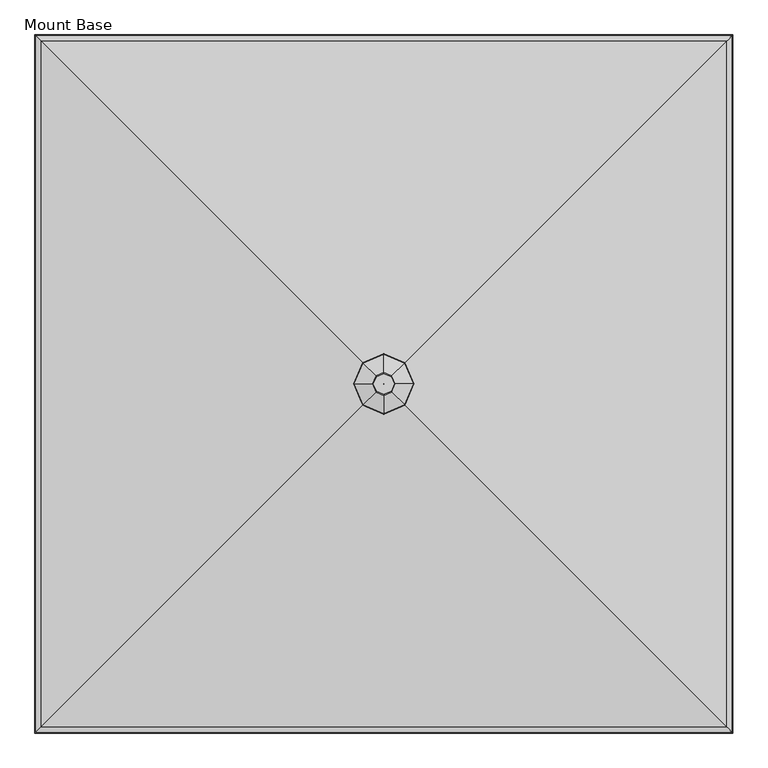
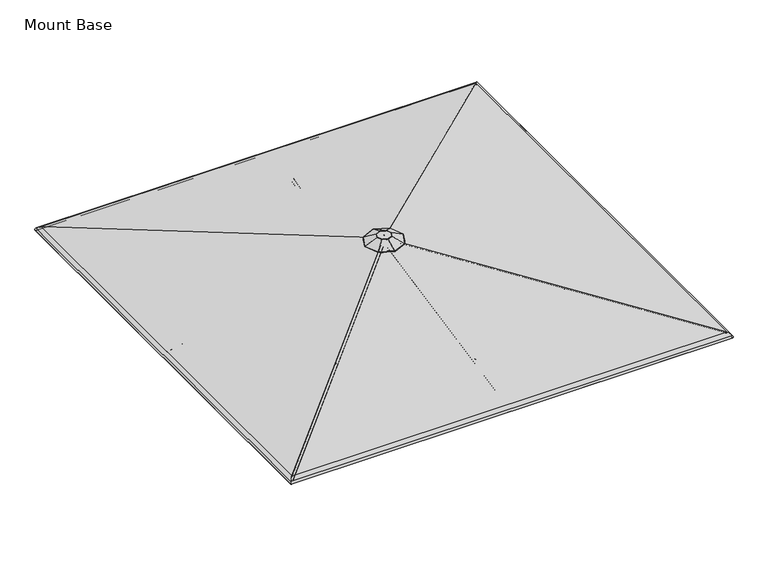
"""IFC4 building model written with IfcOpenShell, lengths in millimetres: furniture geometry, Mount Base."""

from ifc_helpers import new_model, si_unit, point, frame, frame_2d, origin, place, context, project, spatial, polyline, circle_curve, ellipse_curve, trimmed, segment, composite_curve, outline, extrude, source, transform, mapped, element, save
from ifc_brep_helpers import plane_surface, cylinder_surface, revolved_surface, advanced_brep


def mount_base_3bbdd028(model_context):
    return source(origin(), model_context, "Body", "SolidModel", [
        extrude(outline(composite_curve([segment(polyline([(12.9834408, -8.4804821), (12.9834408, -22.8946348)]), True, "CONTINUOUS"), segment(trimmed(circle_curve(frame_2d((4.0299408, -22.8946348)), 8.9535), [point((12.9834408, -22.8946348))], [point((-4.9235592, -22.8946348))], False, "CARTESIAN"), True, "CONTINUOUS"), segment(polyline([(-4.9235592, -22.8946348), (-4.9235592, -8.4804821)]), True, "CONTINUOUS"), segment(trimmed(circle_curve(frame_2d((4.0299408, -8.4804821)), 8.9535), [point((-4.9235592, -8.4804821))], [point((12.9834408, -8.4804821))], False, "CARTESIAN"), True, "CONTINUOUS")], self_intersect=False)), frame((4.0299408, -60.6243606, 2209.0717014), z_axis=(0.0, -0.968204069710927, 0.25016170649241765), x_axis=(-1.0, 0.0, 0.0)), (0.0, 0.0, 1.0), 1257.3),
        extrude(outline(composite_curve([segment(polyline([(12.9834408, -8.4804821), (12.9834408, -22.8946348)]), True, "CONTINUOUS"), segment(trimmed(circle_curve(frame_2d((4.0299408, -22.8946348)), 8.9535), [point((12.9834408, -22.8946348))], [point((-4.9235592, -22.8946348))], False, "CARTESIAN"), True, "CONTINUOUS"), segment(polyline([(-4.9235592, -22.8946348), (-4.9235592, -8.4804821)]), True, "CONTINUOUS"), segment(trimmed(circle_curve(frame_2d((4.0299408, -8.4804821)), 8.9535), [point((-4.9235592, -8.4804821))], [point((12.9834408, -8.4804821))], False, "CARTESIAN"), True, "CONTINUOUS")], self_intersect=False)), frame((-56.5944198, -8.0598816, 2209.0717014), z_axis=(-0.968204069710927, 0.0, 0.25016170649241765), x_axis=(0.0, 1.0, 0.0)), (0.0, 0.0, 1.0), 1257.3),
        extrude(outline(composite_curve([segment(polyline([(12.9834408, -8.4804821), (12.9834408, -22.8946348)]), True, "CONTINUOUS"), segment(trimmed(circle_curve(frame_2d((4.0299408, -22.8946348)), 8.9535), [point((12.9834408, -22.8946348))], [point((-4.9235592, -22.8946348))], False, "CARTESIAN"), True, "CONTINUOUS"), segment(polyline([(-4.9235592, -22.8946348), (-4.9235592, -8.4804821)]), True, "CONTINUOUS"), segment(trimmed(circle_curve(frame_2d((4.0299408, -8.4804821)), 8.9535), [point((-4.9235592, -8.4804821))], [point((12.9834408, -8.4804821))], False, "CARTESIAN"), True, "CONTINUOUS")], self_intersect=False)), frame((-4.0299408, 52.564479, 2209.0717014), z_axis=(0.0, 0.968204069710927, 0.25016170649241765), x_axis=(1.0, 0.0, 0.0)), (0.0, 0.0, 1.0), 1257.3),
        extrude(outline(composite_curve([segment(trimmed(circle_curve(frame_2d((4.0299408, 7.3267917)), 8.9535), [point((12.9834408, 7.3267917))], [point((-4.9235592, 7.3267917))], False, "CARTESIAN"), True, "CONTINUOUS"), segment(polyline([(-4.9235592, 7.3267917), (-4.9235592, 21.7411303)]), True, "CONTINUOUS"), segment(trimmed(circle_curve(frame_2d((4.0299408, 21.7411303)), 8.9535), [point((-4.9235592, 21.7411303))], [point((12.9834408, 21.7411303))], False, "CARTESIAN"), True, "CONTINUOUS"), segment(polyline([(12.9834408, 21.7411303), (12.9834408, 7.3267917)]), True, "CONTINUOUS")], self_intersect=False)), frame((4.0299408, -1742.7095287, 2428.4090401), z_axis=(0.0, 0.9801650338144994, 0.19818301261062068), x_axis=(-1.0, 0.0, 0.0)), (0.0, 0.0, 1.0), 1722.8259277),
        extrude(outline(composite_curve([segment(trimmed(circle_curve(frame_2d((4.0299408, 7.3267917)), 8.9535), [point((12.9834408, 7.3267917))], [point((-4.9235592, 7.3267917))], False, "CARTESIAN"), True, "CONTINUOUS"), segment(polyline([(-4.9235592, 7.3267917), (-4.9235592, 21.7411303)]), True, "CONTINUOUS"), segment(trimmed(circle_curve(frame_2d((4.0299408, 21.7411303)), 8.9535), [point((-4.9235592, 21.7411303))], [point((12.9834408, 21.7411303))], False, "CARTESIAN"), True, "CONTINUOUS"), segment(polyline([(12.9834408, 21.7411303), (12.9834408, 7.3267917)]), True, "CONTINUOUS")], self_intersect=False)), frame((-1738.6795879, -8.0598816, 2428.4090401), z_axis=(0.9801650338144994, 0.0, 0.19818301261062068), x_axis=(0.0, 1.0, 0.0)), (0.0, 0.0, 1.0), 1722.8259277),
        extrude(outline(composite_curve([segment(trimmed(circle_curve(frame_2d((4.0299408, 7.3267917)), 8.9535), [point((12.9834408, 7.3267917))], [point((-4.9235592, 7.3267917))], False, "CARTESIAN"), True, "CONTINUOUS"), segment(polyline([(-4.9235592, 7.3267917), (-4.9235592, 21.7411303)]), True, "CONTINUOUS"), segment(trimmed(circle_curve(frame_2d((4.0299408, 21.7411303)), 8.9535), [point((-4.9235592, 21.7411303))], [point((12.9834408, 21.7411303))], False, "CARTESIAN"), True, "CONTINUOUS"), segment(polyline([(12.9834408, 21.7411303), (12.9834408, 7.3267917)]), True, "CONTINUOUS")], self_intersect=False)), frame((-4.0299408, 1734.6496471, 2428.4090401), z_axis=(0.0, -0.9801650338144994, 0.19818301261062068), x_axis=(1.0, 0.0, 0.0)), (0.0, 0.0, 1.0), 1722.8259277),
        extrude(outline(composite_curve([segment(trimmed(circle_curve(frame_2d((4.0299408, 7.3267917)), 8.9535), [point((12.9834408, 7.3267917))], [point((-4.9235592, 7.3267917))], False, "CARTESIAN"), True, "CONTINUOUS"), segment(polyline([(-4.9235592, 7.3267917), (-4.9235592, 21.7411303)]), True, "CONTINUOUS"), segment(trimmed(circle_curve(frame_2d((4.0299408, 21.7411303)), 8.9535), [point((-4.9235592, 21.7411303))], [point((12.9834408, 21.7411303))], False, "CARTESIAN"), True, "CONTINUOUS"), segment(polyline([(12.9834408, 21.7411303), (12.9834408, 7.3267917)]), True, "CONTINUOUS")], self_intersect=False)), frame((1738.6795879, 0.0, 2428.4090401), z_axis=(-0.9801650338144994, 0.0, 0.19818301261062068), x_axis=(0.0, -1.0, 0.0)), (0.0, 0.0, 1.0), 1722.8259277),
        extrude(outline(composite_curve([segment(polyline([(12.9834408, -8.4804821), (12.9834408, -22.8946348)]), True, "CONTINUOUS"), segment(trimmed(circle_curve(frame_2d((4.0299408, -22.8946348)), 8.9535), [point((12.9834408, -22.8946348))], [point((-4.9235592, -22.8946348))], False, "CARTESIAN"), True, "CONTINUOUS"), segment(polyline([(-4.9235592, -22.8946348), (-4.9235592, -8.4804821)]), True, "CONTINUOUS"), segment(trimmed(circle_curve(frame_2d((4.0299408, -8.4804821)), 8.9535), [point((-4.9235592, -8.4804821))], [point((12.9834408, -8.4804821))], False, "CARTESIAN"), True, "CONTINUOUS")], self_intersect=False)), frame((56.5944198, 0.0, 2209.0717014), z_axis=(0.968204069710927, 0.0, 0.25016170649241765), x_axis=(0.0, -1.0, 0.0)), (0.0, 0.0, 1.0), 1257.3),
        extrude(outline(composite_curve([segment(trimmed(circle_curve(frame_2d((-0.4115858, 9.2017125)), 8.947892), [point((8.536306, 9.1998745))], [point((-9.3594776, 9.2035503))], False, "CARTESIAN"), True, "CONTINUOUS"), segment(polyline([(-9.3594776, 9.2035503), (-9.3566134, 23.146125)]), True, "CONTINUOUS"), segment(trimmed(circle_curve(frame_2d((-0.4087216, 23.146125)), 8.9478918), [point((-9.3566134, 23.146125))], [point((8.5391702, 23.1457573))], False, "CARTESIAN"), True, "CONTINUOUS"), segment(polyline([(8.5391702, 23.1457573), (8.536306, 9.1998745)]), True, "CONTINUOUS")], self_intersect=False)), frame((41.5244845, -45.5691916, 2208.4981899), z_axis=(0.6763612459995549, -0.6766017644142349, 0.2911108333632977), x_axis=(0.7072324735233075, 0.7069810665032722, 0.0)), (0.0, 0.0, 1.0), 1309.7575992),
        extrude(outline(composite_curve([segment(trimmed(circle_curve(frame_2d((-0.4115858, 9.2017125)), 8.947892), [point((8.536306, 9.1998747))], [point((-9.3594776, 9.2035505))], False, "CARTESIAN"), True, "CONTINUOUS"), segment(polyline([(-9.3594776, 9.2035505), (-9.356613, 23.146125)]), True, "CONTINUOUS"), segment(trimmed(circle_curve(frame_2d((-0.4087215, 23.146125)), 8.9478915), [point((-9.356613, 23.146125))], [point((8.5391699, 23.1457574))], False, "CARTESIAN"), True, "CONTINUOUS"), segment(polyline([(8.5391699, 23.1457574), (8.536306, 9.1998747)]), True, "CONTINUOUS")], self_intersect=False)), frame((-41.5392509, -45.5544253, 2208.4981899), z_axis=(-0.676601764414243, -0.6763612459995471, 0.2911108333632977), x_axis=(0.7069810665032639, -0.7072324735233159, 0.0)), (0.0, 0.0, 1.0), 1309.7575992),
        extrude(outline(composite_curve([segment(trimmed(circle_curve(frame_2d((-0.4115857, 9.2017125)), 8.947892), [point((8.536306, 9.1998747))], [point((-9.3594776, 9.2035505))], False, "CARTESIAN"), True, "CONTINUOUS"), segment(polyline([(-9.3594776, 9.2035505), (-9.356613, 23.146125)]), True, "CONTINUOUS"), segment(trimmed(circle_curve(frame_2d((-0.4087216, 23.146125)), 8.9478915), [point((-9.356613, 23.146125))], [point((8.5391699, 23.1457573))], False, "CARTESIAN"), True, "CONTINUOUS"), segment(polyline([(8.5391699, 23.1457573), (8.536306, 9.1998747)]), True, "CONTINUOUS")], self_intersect=False)), frame((-41.5244845, 37.5093101, 2208.4981899), z_axis=(-0.6763612459995527, 0.6766017644142374, 0.29111083336329774), x_axis=(-0.70723247352331, -0.7069810665032698, 0.0)), (0.0, 0.0, 1.0), 1309.7575992),
        extrude(outline(composite_curve([segment(trimmed(circle_curve(frame_2d((-0.4115857, 9.2017125)), 8.947892), [point((8.536306, 9.1998747))], [point((-9.3594776, 9.2035505))], False, "CARTESIAN"), True, "CONTINUOUS"), segment(polyline([(-9.3594776, 9.2035505), (-9.356613, 23.146125)]), True, "CONTINUOUS"), segment(trimmed(circle_curve(frame_2d((-0.4087215, 23.146125)), 8.9478915), [point((-9.356613, 23.146125))], [point((8.5391699, 23.1457573))], False, "CARTESIAN"), True, "CONTINUOUS"), segment(polyline([(8.5391699, 23.1457573), (8.536306, 9.1998747)]), True, "CONTINUOUS")], self_intersect=False)), frame((41.5392509, 37.4945437, 2208.4981899), z_axis=(0.6766017644142318, 0.676361245999558, 0.2911108333632976), x_axis=(-0.7069810665032754, 0.7072324735233043, 0.0)), (0.0, 0.0, 1.0), 1309.7575992),
        extrude(outline(composite_curve([segment(trimmed(circle_curve(frame_2d((0.0454336, -8.9661607)), 8.9535016), [point((-8.9080678, -8.9644052))], [point((8.9989351, -8.9679162))], False, "CARTESIAN"), True, "CONTINUOUS"), segment(polyline([(8.9989351, -8.9679162), (8.9961217, -23.3170803)]), True, "CONTINUOUS"), segment(trimmed(circle_curve(frame_2d((0.0426202, -23.3153248)), 8.9535016), [point((8.9961217, -23.3170803))], [point((-8.9108812, -23.3135694))], False, "CARTESIAN"), True, "CONTINUOUS"), segment(polyline([(-8.9108812, -23.3135694), (-8.9080678, -8.9644052)]), True, "CONTINUOUS")], self_intersect=False)), frame((1743.1904793, -1747.603189, 2425.0035693), z_axis=(-0.700059246017185, 0.7000592460172453, 0.14083360441178988), x_axis=(0.707106781186578, 0.7071067811865172, 0.0)), (0.0, 0.0, 1.0), 2439.7329293),
        extrude(outline(composite_curve([segment(trimmed(circle_curve(frame_2d((0.0454336, -8.9661607)), 8.9535016), [point((-8.9080678, -8.9644052))], [point((8.9989351, -8.9679162))], False, "CARTESIAN"), True, "CONTINUOUS"), segment(polyline([(8.9989351, -8.9679162), (8.9961217, -23.3170803)]), True, "CONTINUOUS"), segment(trimmed(circle_curve(frame_2d((0.0426202, -23.3153248)), 8.9535016), [point((8.9961217, -23.3170803))], [point((-8.9108812, -23.3135694))], False, "CARTESIAN"), True, "CONTINUOUS"), segment(polyline([(-8.9108812, -23.3135694), (-8.9080678, -8.9644052)]), True, "CONTINUOUS")], self_intersect=False)), frame((-1743.5732482, -1747.2204201, 2425.0035693), z_axis=(0.7000592460172536, 0.700059246017177, 0.1408336044117898), x_axis=(0.7071067811865089, -0.7071067811865863, 0.0)), (0.0, 0.0, 1.0), 2439.7329293),
        extrude(outline(composite_curve([segment(trimmed(circle_curve(frame_2d((0.0454336, -8.9661607)), 8.9535016), [point((-8.9080679, -8.9644052))], [point((8.9989351, -8.9679162))], False, "CARTESIAN"), True, "CONTINUOUS"), segment(polyline([(8.9989351, -8.9679162), (8.9961217, -23.3170803)]), True, "CONTINUOUS"), segment(trimmed(circle_curve(frame_2d((0.0426202, -23.3153248)), 8.9535016), [point((8.9961217, -23.3170803))], [point((-8.9108812, -23.3135694))], False, "CARTESIAN"), True, "CONTINUOUS"), segment(polyline([(-8.9108812, -23.3135694), (-8.9080679, -8.9644052)]), True, "CONTINUOUS")], self_intersect=False)), frame((-1743.1904793, 1739.5433074, 2425.0035693), z_axis=(0.7000592460171826, -0.7000592460172478, 0.1408336044117898), x_axis=(-0.7071067811865804, -0.7071067811865146, 0.0)), (0.0, 0.0, 1.0), 2439.7329293),
        extrude(outline(composite_curve([segment(trimmed(circle_curve(frame_2d((0.0454336, -8.9661607)), 8.9535016), [point((-8.9080678, -8.9644052))], [point((8.9989351, -8.9679162))], False, "CARTESIAN"), True, "CONTINUOUS"), segment(polyline([(8.9989351, -8.9679162), (8.9961217, -23.3170803)]), True, "CONTINUOUS"), segment(trimmed(circle_curve(frame_2d((0.0426202, -23.3153248)), 8.9535016), [point((8.9961217, -23.3170803))], [point((-8.9108812, -23.3135694))], False, "CARTESIAN"), True, "CONTINUOUS"), segment(polyline([(-8.9108812, -23.3135694), (-8.9080678, -8.9644052)]), True, "CONTINUOUS")], self_intersect=False)), frame((1743.5732482, 1739.1605385, 2425.0035693), z_axis=(-0.7000592460172421, -0.7000592460171882, 0.14083360441178977), x_axis=(-0.7071067811865203, 0.7071067811865748, 0.0)), (0.0, 0.0, 1.0), 2439.7329293),
        advanced_brep(
        [(-40.359119, -4.0299408, 2769.6161201), (40.359119, -4.0299408, 2769.6161201), (40.359119, -4.0299408, 2232.7130663), (-40.359119, -4.0299408, 2232.7130663), (0.0, -4.0299408, 2769.6161201), (0.0, -4.0299408, 2232.7130663)],
        [
            (0, 1, circle_curve(frame((0.0, -4.0299408, 2769.6161201), z_axis=(0.0, 0.0, -1.0), x_axis=(1.0, 0.0, 0.0)), 40.359119)),
            (1, 2),
            (2, 3, circle_curve(frame((0.0, -4.0299408, 2232.7130663), z_axis=(0.0, 0.0, 1.0), x_axis=(1.0, 0.0, 0.0)), 40.359119)),
            (3, 0),
            (1, 0, circle_curve(frame((0.0, -4.0299408, 2769.6161201), z_axis=(0.0, 0.0, -1.0), x_axis=(1.0, 0.0, 0.0)), 40.359119)),
            (3, 2, circle_curve(frame((0.0, -4.0299408, 2232.7130663), z_axis=(0.0, 0.0, 1.0), x_axis=(1.0, 0.0, 0.0)), 40.359119)),
            (4, 1),
            (0, 4),
            (2, 5),
            (5, 3),
        ],
        [
            cylinder_surface(frame((0.0, -4.0299408, 2607.6909748), z_axis=(0.0, 0.0, 1.0), x_axis=(1.0, 0.0, 0.0)), 40.359119),
            plane_surface(frame((0.0, -4.0299408, 2769.6161201), z_axis=(0.0, 0.0, 1.0), x_axis=(1.0, 0.0, 0.0))),
            plane_surface(frame((0.0, -4.0299408, 2232.7130663), z_axis=(0.0, 0.0, -1.0), x_axis=(1.0, 0.0, 0.0))),
        ],
        [
            (0, [[1, 2, 3, 4]]),
            (0, [[5, -4, 6, -2]]),
            (1, [[7, -1, 8]]),
            (1, [[-8, -5, -7]]),
            (2, [[-3, 9, 10]]),
            (2, [[-6, -10, -9]]),
        ],
    ),
        advanced_brep(
        [(-58.7349315, -4.0299408, 2208.4981899), (58.7349315, -4.0299408, 2208.4981899), (51.3054317, -4.0299408, 2190.75), (-51.3054317, -4.0299408, 2190.75), (-58.7349315, -4.0299408, 2233.8982384), (58.7349315, -4.0299408, 2233.8982384), (0.0, -4.0299408, 2233.8982384), (-50.392282, -4.0299408, 2063.7500484), (50.392282, -4.0299408, 2063.7500484), (0.0, -4.0299408, 2063.7500484), (-58.2510683, -4.0299408, 2070.0999516), (58.2510683, -4.0299408, 2070.0999516), (-44.8554107, -4.0299408, 2190.75), (44.8554107, -4.0299408, 2190.75)],
        [
            (0, 1, circle_curve(frame((0.0, -4.0299408, 2208.4981899), z_axis=(0.0, 0.0, -1.0), x_axis=(1.0, 0.0, 0.0)), 58.7349315)),
            (1, 2, circle_curve(frame((43.6558497, -4.0299408, 2204.3812731), z_axis=(0.0, 1.0, 0.0), x_axis=(1.0, 0.0, 0.0)), 15.6309856)),
            (2, 3, circle_curve(frame((0.0, -4.0299408, 2190.75), z_axis=(0.0, 0.0, 1.0), x_axis=(1.0, 0.0, 0.0)), 51.3054317)),
            (3, 0, circle_curve(frame((-43.6558497, -4.0299408, 2204.3812731), z_axis=(0.0, 1.0, 0.0), x_axis=(-1.0, 0.0, 0.0)), 15.6309856)),
            (1, 0, circle_curve(frame((0.0, -4.0299408, 2208.4981899), z_axis=(0.0, 0.0, -1.0), x_axis=(1.0, 0.0, 0.0)), 58.7349315)),
            (3, 2, circle_curve(frame((0.0, -4.0299408, 2190.75), z_axis=(0.0, 0.0, 1.0), x_axis=(1.0, 0.0, 0.0)), 51.3054317)),
            (4, 5, circle_curve(frame((0.0, -4.0299408, 2233.8982384), z_axis=(0.0, 0.0, -1.0), x_axis=(1.0, 0.0, 0.0)), 58.7349315)),
            (5, 1, circle_curve(frame((52.8666055, -4.0299408, 2221.1982141), z_axis=(0.0, 1.0, 0.0), x_axis=(1.0, 0.0, 0.0)), 13.9902775)),
            (0, 4, circle_curve(frame((-52.8666055, -4.0299408, 2221.1982141), z_axis=(0.0, 1.0, 0.0), x_axis=(-1.0, 0.0, 0.0)), 13.9902775)),
            (5, 4, circle_curve(frame((0.0, -4.0299408, 2233.8982384), z_axis=(0.0, 0.0, -1.0), x_axis=(1.0, 0.0, 0.0)), 58.7349315)),
            (6, 5),
            (4, 6),
            (7, 8, circle_curve(frame((0.0, -4.0299408, 2063.7500484), z_axis=(0.0, 0.0, -1.0), x_axis=(1.0, 0.0, 0.0)), 50.392282)),
            (8, 9),
            (9, 7),
            (8, 7, circle_curve(frame((0.0, -4.0299408, 2063.7500484), z_axis=(0.0, 0.0, -1.0), x_axis=(1.0, 0.0, 0.0)), 50.392282)),
            (10, 11, circle_curve(frame((0.0, -4.0299408, 2070.0999516), z_axis=(0.0, 0.0, -1.0), x_axis=(1.0, 0.0, 0.0)), 58.2510683)),
            (11, 8),
            (7, 10),
            (11, 10, circle_curve(frame((0.0, -4.0299408, 2070.0999516), z_axis=(0.0, 0.0, -1.0), x_axis=(1.0, 0.0, 0.0)), 58.2510683)),
            (12, 13, circle_curve(frame((0.0, -4.0299408, 2190.75), z_axis=(0.0, 0.0, -1.0), x_axis=(1.0, 0.0, 0.0)), 44.8554107)),
            (13, 11),
            (10, 12),
            (13, 12, circle_curve(frame((0.0, -4.0299408, 2190.75), z_axis=(0.0, 0.0, -1.0), x_axis=(1.0, 0.0, 0.0)), 44.8554107)),
            (2, 13),
            (12, 3),
        ],
        [
            revolved_surface(trimmed(ellipse_curve(frame((43.6558497, -4.0299408, 2204.3812731), z_axis=(0.0, -1.0, 0.0), x_axis=(1.0, 0.0, 0.0)), 15.6309856, 15.6309856), [point((51.3054317, -4.0299408, 2190.75))], [point((58.7349315, -4.0299408, 2208.4981899))], True, "CARTESIAN"), (0.0, -4.0299408, 2404.1943844), (0.0, 0.0, 1.0)),
            revolved_surface(trimmed(ellipse_curve(frame((52.8666055, -4.0299408, 2221.1982141), z_axis=(0.0, -1.0, 0.0), x_axis=(1.0, 0.0, 0.0)), 13.9902775, 13.9902775), [point((58.7349315, -4.0299408, 2208.4981899))], [point((58.7349315, -4.0299408, 2233.8982384))], True, "CARTESIAN"), (0.0, -4.0299408, 2404.1943844), (0.0, 0.0, 1.0)),
            plane_surface(frame((0.0, -4.0299408, 2233.8982384), z_axis=(0.0, 0.0, 1.0), x_axis=(1.0, 0.0, 0.0))),
            plane_surface(frame((0.0, -4.0299408, 2063.7500484), z_axis=(0.0, 0.0, -1.0), x_axis=(1.0, 0.0, 0.0))),
            revolved_surface(polyline([(50.392282, -4.0299408, 2063.7500484), (58.2510683, -4.0299408, 2070.0999516)]), (0.0, -4.0299408, 2404.1943844), (0.0, 0.0, 1.0)),
            revolved_surface(polyline([(58.2510683, -4.0299408, 2070.0999516), (44.8554107, -4.0299408, 2190.75)]), (0.0, -4.0299408, 2404.1943844), (0.0, 0.0, 1.0)),
            plane_surface(frame((0.0, -4.0299408, 2190.75), z_axis=(0.0, 0.0, -1.0), x_axis=(1.0, 0.0, 0.0))),
        ],
        [
            (0, [[1, 2, 3, 4]]),
            (0, [[5, -4, 6, -2]]),
            (1, [[7, 8, -1, 9]]),
            (1, [[10, -9, -5, -8]]),
            (2, [[11, -7, 12]]),
            (2, [[-12, -10, -11]]),
            (3, [[13, 14, 15]]),
            (3, [[16, -15, -14]]),
            (4, [[17, 18, -13, 19]]),
            (4, [[20, -19, -16, -18]]),
            (5, [[21, 22, -17, 23]]),
            (5, [[24, -23, -20, -22]]),
            (6, [[-3, 25, -21, 26]]),
            (6, [[-6, -26, -24, -25]]),
        ],
    ),
        advanced_brep(
        [(-85.0763354, -4.0299408, 2768.6), (85.0763354, -4.0299408, 2768.6), (0.0, -4.0299408, 2768.6), (-85.0763354, -4.0299408, 2794.0), (85.0763354, -4.0299408, 2794.0), (0.0, -4.0299408, 2794.0)],
        [
            (0, 1, circle_curve(frame((0.0, -4.0299408, 2768.6), z_axis=(0.0, 0.0, -1.0), x_axis=(1.0, 0.0, 0.0)), 85.0763354)),
            (1, 2),
            (2, 0),
            (1, 0, circle_curve(frame((0.0, -4.0299408, 2768.6), z_axis=(0.0, 0.0, -1.0), x_axis=(1.0, 0.0, 0.0)), 85.0763354)),
            (3, 4, circle_curve(frame((0.0, -4.0299408, 2794.0), z_axis=(0.0, 0.0, -1.0), x_axis=(1.0, 0.0, 0.0)), 85.0763354)),
            (4, 1, circle_curve(frame((85.0763354, -4.0299408, 2781.3), z_axis=(0.0, 1.0, 0.0), x_axis=(1.0, 0.0, 0.0)), 12.7)),
            (0, 3, circle_curve(frame((-85.0763354, -4.0299408, 2781.3), z_axis=(0.0, 1.0, 0.0), x_axis=(-1.0, 0.0, 0.0)), 12.7)),
            (4, 3, circle_curve(frame((0.0, -4.0299408, 2794.0), z_axis=(0.0, 0.0, -1.0), x_axis=(1.0, 0.0, 0.0)), 85.0763354)),
            (5, 4),
            (3, 5),
        ],
        [
            plane_surface(frame((0.0, -4.0299408, 2768.6), z_axis=(0.0, 0.0, -1.0), x_axis=(1.0, 0.0, 0.0))),
            revolved_surface(trimmed(ellipse_curve(frame((85.0763354, -4.0299408, 2781.3), z_axis=(0.0, -1.0, 0.0), x_axis=(1.0, 0.0, 0.0)), 12.7, 12.7), [point((85.0763354, -4.0299408, 2768.6))], [point((85.0763354, -4.0299408, 2794.0))], True, "CARTESIAN"), (0.0, -4.0299408, 2876.5500484), (0.0, 0.0, 1.0)),
            plane_surface(frame((0.0, -4.0299408, 2794.0), z_axis=(0.0, 0.0, 1.0), x_axis=(1.0, 0.0, 0.0))),
        ],
        [
            (0, [[1, 2, 3]]),
            (0, [[4, -3, -2]]),
            (1, [[5, 6, -1, 7]]),
            (1, [[8, -7, -4, -6]]),
            (2, [[9, -5, 10]]),
            (2, [[-10, -8, -9]]),
        ],
    ),
        advanced_brep(
        [(53.2167733, -4.0299408, 2843.4799255), (37.1284214, 33.0984806, 2843.4799255), (0.0, 49.1868325, 2843.4799255), (-37.1284214, 33.0984806, 2843.4799255), (-53.2167733, -4.0299408, 2843.4799255), (-37.1284214, -41.1583622, 2843.4799255), (0.0, -57.2467141, 2843.4799255), (37.1284214, -41.1583622, 2843.4799255), (-0.2799193, -3.7500215, 2843.4799255), (0.0, -3.6287279, 2843.4799255), (0.2799193, -3.7500215, 2843.4799255), (0.4012128, -4.0299408, 2843.4799255), (0.2799193, -4.30986, 2843.4799255), (0.0, -4.4311536, 2843.4799255), (-0.2799193, -4.30986, 2843.4799255), (-0.4012128, -4.0299408, 2843.4799255), (-19.7877165, 15.7577757, 2828.9716869), (0.0, 24.3321167, 2828.9716869), (19.7877165, 15.7577757, 2828.9716869), (28.3620575, -4.0299408, 2828.9716869), (19.7877165, -23.8176572, 2828.9716869), (0.0, -32.3919982, 2828.9716869), (-19.7877165, -23.8176572, 2828.9716869), (-28.3620575, -4.0299408, 2828.9716869), (0.4012128, -4.0299408, 2828.9716869), (0.2799193, -3.7500215, 2828.9716869), (0.0, -3.6287279, 2828.9716869), (-0.2799193, -3.7500215, 2828.9716869), (-0.4012128, -4.0299408, 2828.9716869), (-0.2799193, -4.30986, 2828.9716869), (0.0, -4.4311536, 2828.9716869), (0.2799193, -4.30986, 2828.9716869), (-105.9299769, 101.9000361, 2796.4187712), (-151.8311674, -4.0299408, 2796.4187712), (-106.6960997, 102.6661589, 2798.9948487), (-152.9292638, -4.0299408, 2798.9948487), (-41.466138, 37.4361973, 2842.1265361), (-59.4340935, -4.0299408, 2842.1265361), (-105.9299769, -109.9599176, 2796.4187712), (-106.6960997, -110.7260405, 2798.9948487), (-41.466138, -45.4960788, 2842.1265361), (0.0, -155.8611082, 2796.4187712), (0.0, -156.9592046, 2798.9948487), (0.0, -63.4640343, 2842.1265361), (105.9299769, -109.9599176, 2796.4187712), (106.6960997, -110.7260405, 2798.9948487), (41.466138, -45.4960788, 2842.1265361), (151.8311674, -4.0299408, 2796.4187712), (152.9292638, -4.0299408, 2798.9948487), (59.4340935, -4.0299408, 2842.1265361), (105.9299769, 101.9000361, 2796.4187712), (106.6960997, 102.6661589, 2798.9948487), (41.466138, 37.4361973, 2842.1265361), (0.0, 147.8012266, 2796.4187712), (0.0, 148.899323, 2798.9948487), (0.0, 55.4041527, 2842.1265361)],
        [
            (0, 1),
            (1, 2),
            (2, 3),
            (3, 4),
            (4, 5),
            (5, 6),
            (6, 7),
            (7, 0),
            (8, 9),
            (9, 10),
            (10, 11),
            (11, 12),
            (12, 13),
            (13, 14),
            (14, 15),
            (15, 8),
            (16, 17),
            (17, 18),
            (18, 19),
            (19, 20),
            (20, 21),
            (21, 22),
            (22, 23),
            (23, 16),
            (24, 25),
            (25, 26),
            (26, 27),
            (27, 28),
            (28, 29),
            (29, 30),
            (30, 31),
            (31, 24),
            (27, 8),
            (15, 28),
            (14, 29),
            (13, 30),
            (12, 31),
            (11, 24),
            (10, 25),
            (9, 26),
            (32, 16),
            (23, 33),
            (33, 32),
            (34, 32, ellipse_curve(frame((-106.221662, 102.1917212, 2797.7538132), z_axis=(-0.7071067811865479, -0.707106781186547, 0.0), x_axis=(-0.7071067811865467, 0.7071067811865482, 0.0)), 1.4936871, 1.3890625)),
            (33, 35, ellipse_curve(frame((-152.2492444, -4.0299408, 2797.7538132), z_axis=(0.0, 0.9999999999999999, 0.0), x_axis=(1.0, 0.0, 0.0)), 1.5138634, 1.3890625)),
            (35, 34),
            (36, 34),
            (35, 37),
            (37, 36),
            (3, 36, ellipse_curve(frame((-37.1284214, 33.0984806, 2830.7799255), z_axis=(-0.7071067811865479, -0.707106781186547, 0.0), x_axis=(-0.7071067811865467, 0.7071067811865482, 0.0)), 13.656568, 12.7)),
            (37, 4, ellipse_curve(frame((-53.2167733, -4.0299408, 2830.7799255), z_axis=(0.0, 0.9999999999999999, 0.0), x_axis=(1.0, 0.0, 0.0)), 13.8410369, 12.7)),
            (22, 38),
            (38, 33),
            (38, 39, ellipse_curve(frame((-106.221662, -110.2516027, 2797.7538132), z_axis=(-0.707106781186547, 0.707106781186548, 0.0), x_axis=(0.7071067811865479, 0.707106781186547, 0.0)), 1.4936871, 1.3890625)),
            (39, 35),
            (39, 40),
            (40, 37),
            (40, 5, ellipse_curve(frame((-37.1284214, -41.1583622, 2830.7799255), z_axis=(-0.707106781186547, 0.707106781186548, 0.0), x_axis=(0.7071067811865479, 0.707106781186547, 0.0)), 13.656568, 12.7)),
            (21, 41),
            (41, 38),
            (41, 42, ellipse_curve(frame((0.0, -156.2791852, 2797.7538132), z_axis=(-0.9999999999999999, 0.0, 0.0), x_axis=(0.0, 1.0, 0.0)), 1.5138634, 1.3890625)),
            (42, 39),
            (42, 43),
            (43, 40),
            (43, 6, ellipse_curve(frame((0.0, -57.2467141, 2830.7799255), z_axis=(-0.9999999999999999, 0.0, 0.0), x_axis=(0.0, 1.0, 0.0)), 13.8410369, 12.7)),
            (20, 44),
            (44, 41),
            (44, 45, ellipse_curve(frame((106.221662, -110.2516027, 2797.7538132), z_axis=(-0.707106781186548, -0.707106781186547, 0.0), x_axis=(-0.7071067811865469, 0.7071067811865481, 0.0)), 1.4936871, 1.3890625)),
            (45, 42),
            (45, 46),
            (46, 43),
            (46, 7, ellipse_curve(frame((37.1284214, -41.1583622, 2830.7799255), z_axis=(-0.707106781186548, -0.707106781186547, 0.0), x_axis=(-0.7071067811865469, 0.7071067811865481, 0.0)), 13.656568, 12.7)),
            (19, 47),
            (47, 44),
            (47, 48, ellipse_curve(frame((152.2492444, -4.0299408, 2797.7538132), z_axis=(0.0, -1.0, 0.0), x_axis=(-1.0, 0.0, 0.0)), 1.5138634, 1.3890625)),
            (48, 45),
            (48, 49),
            (49, 46),
            (49, 0, ellipse_curve(frame((53.2167733, -4.0299408, 2830.7799255), z_axis=(0.0, -1.0, 0.0), x_axis=(-1.0, 0.0, 0.0)), 13.8410369, 12.7)),
            (18, 50),
            (50, 47),
            (50, 51, ellipse_curve(frame((106.221662, 102.1917212, 2797.7538132), z_axis=(0.707106781186547, -0.707106781186548, 0.0), x_axis=(-0.7071067811865478, -0.7071067811865471, 0.0)), 1.4936871, 1.3890625)),
            (51, 48),
            (51, 52),
            (52, 49),
            (52, 1, ellipse_curve(frame((37.1284214, 33.0984806, 2830.7799255), z_axis=(0.707106781186547, -0.707106781186548, 0.0), x_axis=(-0.7071067811865478, -0.7071067811865471, 0.0)), 13.656568, 12.7)),
            (17, 53),
            (53, 50),
            (53, 54, ellipse_curve(frame((0.0, 148.2193037, 2797.7538132), z_axis=(0.9999999999999999, 0.0, 0.0), x_axis=(0.0, -1.0, 0.0)), 1.5138634, 1.3890625)),
            (54, 51),
            (54, 55),
            (55, 52),
            (55, 2, ellipse_curve(frame((0.0, 49.1868325, 2830.7799255), z_axis=(0.9999999999999999, 0.0, 0.0), x_axis=(0.0, -1.0, 0.0)), 13.8410369, 12.7)),
            (32, 53),
            (34, 54),
            (36, 55),
        ],
        [
            plane_surface(frame((0.0, 49.1868325, 2843.4799255), z_axis=(0.0, 0.0, 1.0), x_axis=(-0.9175613115760063, -0.3975943152246007, 0.0))),
            plane_surface(frame((0.0, -3.6287279, 2828.9716869), z_axis=(0.0, 0.0, -1.0000000000000002), x_axis=(-0.9175613115759947, -0.39759431522462746, 0.0))),
            plane_surface(frame((-0.2799193, -3.7500215, 2843.4799255), z_axis=(0.9175613115760348, -0.397594315224535, 0.0), x_axis=(-0.397594315224535, -0.9175613115760348, 0.0))),
            plane_surface(frame((-0.4012128, -4.0299408, 2843.4799255), z_axis=(0.9175613115760161, 0.3975943152245781, 0.0), x_axis=(0.3975943152245781, -0.9175613115760161, 0.0))),
            plane_surface(frame((-0.2799193, -4.30986, 2843.4799255), z_axis=(0.39759431522454197, 0.9175613115760317, 0.0), x_axis=(0.9175613115760317, -0.39759431522454197, 0.0))),
            plane_surface(frame((0.0, -4.4311536, 2843.4799255), z_axis=(-0.3975943152245726, 0.9175613115760184, 0.0), x_axis=(0.9175613115760184, 0.3975943152245726, 0.0))),
            plane_surface(frame((0.2799193, -4.30986, 2843.4799255), z_axis=(-0.9175613115759994, 0.39759431522461663, 0.0), x_axis=(0.39759431522461663, 0.9175613115759994, 0.0))),
            plane_surface(frame((0.4012128, -4.0299408, 2843.4799255), z_axis=(-0.91756131157602, -0.3975943152245694, 0.0), x_axis=(-0.3975943152245694, 0.91756131157602, 0.0))),
            plane_surface(frame((0.2799193, -3.7500215, 2843.4799255), z_axis=(-0.3975943152246114, -0.9175613115760016, 0.0), x_axis=(-0.9175613115760016, 0.3975943152246114, 0.0))),
            plane_surface(frame((0.0, -3.6287279, 2843.4799255), z_axis=(0.39759431522460253, -0.9175613115760055, 0.0), x_axis=(-0.9175613115760055, -0.39759431522460253, 0.0))),
            plane_surface(frame((-19.7877165, 15.7577757, 2828.9716869), z_axis=(0.25339888552783735, -0.10980187928485084, -0.9611100624375781), x_axis=(-0.39759431522460265, -0.9175613115760055, 0.0))),
            cylinder_surface(frame((-106.1406058, 102.3787813, 2797.7538132), z_axis=(0.3975943152246023, 0.9175613115760056, 0.0), x_axis=(0.9175613115760056, -0.3975943152246023, 0.0)), 1.3890625),
            plane_surface(frame((-106.6960997, 102.6661589, 2798.9948487), z_axis=(-0.4121636618055376, 0.1785972520948631, 0.8934339021053628), x_axis=(-0.3975943152246023, -0.9175613115760056, 0.0))),
            cylinder_surface(frame((-22.7633104, 66.2500363, 2830.7799255), z_axis=(0.3975943152246023, 0.9175613115760056, 0.0), x_axis=(0.9175613115760056, -0.3975943152246023, 0.0)), 12.7),
            plane_surface(frame((-28.3620575, -4.0299408, 2828.9716869), z_axis=(0.25339888552783774, 0.1098018792848499, -0.9611100624375779), x_axis=(0.39759431522459926, -0.9175613115760068, 0.0))),
            cylinder_surface(frame((-152.3380812, -3.8249249, 2797.7538132), z_axis=(-0.39759431522459965, 0.9175613115760068, 0.0), x_axis=(0.9175613115760068, 0.39759431522459965, 0.0)), 1.3890625),
            plane_surface(frame((-152.9292638, -4.0299408, 2798.9948487), z_axis=(-0.41216366180553804, -0.17859725209486188, 0.8934339021053624), x_axis=(0.39759431522459965, -0.9175613115760067, 0.0))),
            cylinder_surface(frame((-68.9607858, 32.3038202, 2830.7799255), z_axis=(-0.39759431522459965, 0.9175613115760068, 0.0), x_axis=(0.9175613115760068, 0.39759431522459965, 0.0)), 12.7),
            plane_surface(frame((-19.7877165, -23.8176572, 2828.9716869), z_axis=(0.10980187928485022, 0.2533988855278375, -0.9611100624375781), x_axis=(0.9175613115760065, -0.39759431522460054, 0.0))),
            cylinder_surface(frame((-106.4087221, -110.1705465, 2797.7538132), z_axis=(-0.9175613115760063, 0.3975943152246009, 0.0), x_axis=(0.3975943152246009, 0.9175613115760063, 0.0)), 1.3890625),
            plane_surface(frame((-106.6960997, -110.7260405, 2798.9948487), z_axis=(-0.17859725209486255, -0.4121636618055377, 0.8934339021053628), x_axis=(0.9175613115760062, -0.39759431522460115, 0.0))),
            cylinder_surface(frame((-70.2799771, -26.7932512, 2830.7799255), z_axis=(-0.9175613115760063, 0.3975943152246009, 0.0), x_axis=(0.3975943152246009, 0.9175613115760063, 0.0)), 12.7),
            plane_surface(frame((0.0, -32.3919982, 2828.9716869), z_axis=(-0.10980187928485018, 0.2533988855278376, -0.9611100624375781), x_axis=(0.9175613115760065, 0.39759431522460026, 0.0))),
            cylinder_surface(frame((-0.2050159, -156.368022, 2797.7538132), z_axis=(-0.9175613115760062, -0.3975943152246011, 0.0), x_axis=(-0.3975943152246011, 0.9175613115760062, 0.0)), 1.3890625),
            plane_surface(frame((0.0, -156.9592046, 2798.9948487), z_axis=(0.1785972520948624, -0.4121636618055376, 0.8934339021053627), x_axis=(0.9175613115760062, 0.397594315224601, 0.0))),
            cylinder_surface(frame((-36.3337609, -72.9907266, 2830.7799255), z_axis=(-0.9175613115760062, -0.3975943152246011, 0.0), x_axis=(-0.3975943152246011, 0.9175613115760062, 0.0)), 12.7),
            plane_surface(frame((19.7877165, -23.8176572, 2828.9716869), z_axis=(-0.2533988855278374, 0.10980187928485075, -0.9611100624375781), x_axis=(0.3975943152246023, 0.9175613115760056, 0.0))),
            cylinder_surface(frame((106.1406058, -110.4386628, 2797.7538132), z_axis=(-0.3975943152246023, -0.9175613115760057, 0.0), x_axis=(-0.9175613115760057, 0.3975943152246023, 0.0)), 1.3890625),
            plane_surface(frame((106.6960997, -110.7260405, 2798.9948487), z_axis=(0.4121636618055374, -0.17859725209486313, 0.8934339021053627), x_axis=(0.39759431522460253, 0.9175613115760055, 0.0))),
            cylinder_surface(frame((22.7633104, -74.3099178, 2830.7799255), z_axis=(-0.3975943152246023, -0.9175613115760057, 0.0), x_axis=(-0.9175613115760057, 0.3975943152246023, 0.0)), 12.7),
            plane_surface(frame((28.3620575, -4.0299408, 2828.9716869), z_axis=(-0.2533988855278377, -0.1098018792848499, -0.961110062437578), x_axis=(-0.3975943152245993, 0.9175613115760068, 0.0))),
            cylinder_surface(frame((152.3380812, -4.2349567, 2797.7538132), z_axis=(0.39759431522459965, -0.9175613115760066, 0.0), x_axis=(-0.9175613115760066, -0.39759431522459965, 0.0)), 1.3890625),
            plane_surface(frame((152.9292638, -4.0299408, 2798.9948487), z_axis=(0.4121636618055379, 0.1785972520948618, 0.8934339021053627), x_axis=(-0.3975943152245996, 0.9175613115760067, 0.0))),
            cylinder_surface(frame((68.9607858, -40.3637017, 2830.7799255), z_axis=(0.39759431522459965, -0.9175613115760066, 0.0), x_axis=(-0.9175613115760066, -0.39759431522459965, 0.0)), 12.7),
            plane_surface(frame((19.7877165, 15.7577757, 2828.9716869), z_axis=(-0.10980187928485009, -0.2533988855278375, -0.961110062437578), x_axis=(-0.9175613115760065, 0.3975943152246001, 0.0))),
            cylinder_surface(frame((106.4087221, 102.110665, 2797.7538132), z_axis=(0.9175613115760062, -0.3975943152246008, 0.0), x_axis=(-0.3975943152246008, -0.9175613115760062, 0.0)), 1.3890625),
            plane_surface(frame((106.6960997, 102.6661589, 2798.9948487), z_axis=(0.17859725209486232, 0.41216366180553754, 0.8934339021053628), x_axis=(-0.9175613115760062, 0.39759431522460087, 0.0))),
            cylinder_surface(frame((70.2799771, 18.7333696, 2830.7799255), z_axis=(0.9175613115760062, -0.3975943152246008, 0.0), x_axis=(-0.3975943152246008, -0.9175613115760062, 0.0)), 12.7),
            plane_surface(frame((0.0, 24.3321167, 2828.9716869), z_axis=(0.1098018792848503, -0.25339888552783746, -0.961110062437578), x_axis=(-0.9175613115760063, -0.39759431522460087, 0.0))),
            cylinder_surface(frame((0.2050159, 148.3081404, 2797.7538132), z_axis=(0.9175613115760061, 0.39759431522460115, 0.0), x_axis=(0.39759431522460115, -0.9175613115760061, 0.0)), 1.3890625),
            plane_surface(frame((0.0, 148.899323, 2798.9948487), z_axis=(-0.17859725209486235, 0.4121636618055375, 0.8934339021053627), x_axis=(-0.9175613115760062, -0.397594315224601, 0.0))),
            cylinder_surface(frame((36.3337609, 64.9308451, 2830.7799255), z_axis=(0.9175613115760061, 0.39759431522460115, 0.0), x_axis=(0.39759431522460115, -0.9175613115760061, 0.0)), 12.7),
        ],
        [
            (0, [[1, 2, 3, 4, 5, 6, 7, 8], [9, 10, 11, 12, 13, 14, 15, 16]]),
            (1, [[17, 18, 19, 20, 21, 22, 23, 24], [25, 26, 27, 28, 29, 30, 31, 32]]),
            (2, [[33, -16, 34, -28]]),
            (3, [[-34, -15, 35, -29]]),
            (4, [[-35, -14, 36, -30]]),
            (5, [[-36, -13, 37, -31]]),
            (6, [[-37, -12, 38, -32]]),
            (7, [[-38, -11, 39, -25]]),
            (8, [[-39, -10, 40, -26]]),
            (9, [[-40, -9, -33, -27]]),
            (10, [[41, -24, 42, 43]]),
            (11, [[44, -43, 45, 46]]),
            (12, [[47, -46, 48, 49]]),
            (13, [[50, -49, 51, -4]]),
            (14, [[-42, -23, 52, 53]]),
            (15, [[-45, -53, 54, 55]]),
            (16, [[-48, -55, 56, 57]]),
            (17, [[-51, -57, 58, -5]]),
            (18, [[-52, -22, 59, 60]]),
            (19, [[-54, -60, 61, 62]]),
            (20, [[-56, -62, 63, 64]]),
            (21, [[-58, -64, 65, -6]]),
            (22, [[-59, -21, 66, 67]]),
            (23, [[-61, -67, 68, 69]]),
            (24, [[-63, -69, 70, 71]]),
            (25, [[-65, -71, 72, -7]]),
            (26, [[-66, -20, 73, 74]]),
            (27, [[-68, -74, 75, 76]]),
            (28, [[-70, -76, 77, 78]]),
            (29, [[-72, -78, 79, -8]]),
            (30, [[-73, -19, 80, 81]]),
            (31, [[-75, -81, 82, 83]]),
            (32, [[-77, -83, 84, 85]]),
            (33, [[-79, -85, 86, -1]]),
            (34, [[-80, -18, 87, 88]]),
            (35, [[-82, -88, 89, 90]]),
            (36, [[-84, -90, 91, 92]]),
            (37, [[-86, -92, 93, -2]]),
            (38, [[-87, -17, -41, 94]]),
            (39, [[-89, -94, -44, 95]]),
            (40, [[-91, -95, -47, 96]]),
            (41, [[-93, -96, -50, -3]]),
        ],
    ),
        advanced_brep(
        [(1778.7597722, 1775.5831599, 2424.8460308), (1775.9607714, 1772.7841591, 2444.7505632), (1775.9607714, -1780.8440407, 2444.7505632), (1778.7597722, -1783.6430415, 2424.8460308), (1774.3682201, 1771.1916078, 2426.0889856), (1774.3682201, -1779.2514894, 2426.0889856), (1772.0823249, 1768.9057126, 2442.3446706), (1772.0823249, -1776.9655942, 2442.3446706), (-1778.7597722, -1783.6430415, 2424.8460308), (-1774.3682201, -1779.2514894, 2426.0889856), (-1772.0823249, -1776.9655942, 2442.3446706), (1745.9170078, -1750.8002771, 2460.5452311), (-1745.9170078, -1750.8002771, 2460.5452311), (48.3667055, -53.2499747, 2804.5941208), (-48.3667055, -53.2499747, 2804.5941208), (0.5356592, -5.4189284, 2809.1581833), (0.5356592, -5.4189284, 2804.5941208), (-0.5356592, -5.4189284, 2804.5941208), (-0.5356592, -5.4189284, 2809.1581833), (1746.8235912, -1751.7068604, 2465.0183478), (48.8245589, -53.7078281, 2809.1581833), (-48.8245589, -53.7078281, 2809.1581833), (-1746.8235912, -1751.7068604, 2465.0183478), (-1775.9607714, -1780.8440407, 2444.7505632), (-1778.7597722, 1775.5831599, 2424.8460308), (-1774.3682201, 1771.1916078, 2426.0889856), (-1772.0823249, 1768.9057126, 2442.3446706), (-1745.9170078, 1742.7403955, 2460.5452311), (-48.3667055, 45.1900932, 2804.5941208), (-0.5356592, -2.6409532, 2804.5941208), (-0.5356592, -2.6409532, 2809.1581833), (-48.8245589, 45.6479465, 2809.1581833), (-1746.8235912, 1743.6469788, 2465.0183478), (-1775.9607714, 1772.7841591, 2444.7505632), (1745.9170078, 1742.7403955, 2460.5452311), (48.3667055, 45.1900932, 2804.5941208), (0.5356592, -2.6409532, 2804.5941208), (0.5356592, -2.6409532, 2809.1581833), (48.8245589, 45.6479465, 2809.1581833), (1746.8235912, 1743.6469788, 2465.0183478)],
        [
            (0, 1, ellipse_curve(frame((1754.8037712, 1751.6271588, 2431.626373), z_axis=(0.7071067811865479, -0.707106781186547, 0.0), x_axis=(0.7071067811865469, 0.7071067811865481, 0.0)), 35.2097438, 24.8970486)),
            (1, 2),
            (2, 3, ellipse_curve(frame((1754.8037712, -1759.6870404, 2431.626373), z_axis=(0.7071067811865492, 0.7071067811865457, 0.0), x_axis=(-0.7071067811865456, 0.7071067811865493, 0.0)), 35.2097438, 24.8970486)),
            (3, 0),
            (4, 0, ellipse_curve(frame((1776.5639962, 1773.3873839, 2425.4675082), z_axis=(0.7071067811865479, -0.707106781186547, 0.0), x_axis=(0.7071067811865469, 0.7071067811865481, 0.0)), 3.2272795, 2.2820312)),
            (3, 5, ellipse_curve(frame((1776.5639962, -1781.4472654, 2425.4675082), z_axis=(0.7071067811865492, 0.7071067811865457, 0.0), x_axis=(-0.7071067811865456, 0.7071067811865493, 0.0)), 3.2272795, 2.2820312)),
            (5, 4),
            (6, 4, ellipse_curve(frame((1754.8037712, 1751.6271588, 2431.626373), z_axis=(-0.7071067811865479, 0.707106781186547, 0.0), x_axis=(-0.7071067811865469, -0.7071067811865481, 0.0)), 28.7551847, 20.3329861)),
            (5, 7, ellipse_curve(frame((1754.8037712, -1759.6870404, 2431.626373), z_axis=(-0.7071067811865492, -0.7071067811865457, 0.0), x_axis=(0.7071067811865456, -0.7071067811865493, 0.0)), 28.7551847, 20.3329861)),
            (7, 6),
            (3, 8),
            (8, 9, ellipse_curve(frame((-1776.5639962, -1781.4472654, 2425.4675082), z_axis=(0.7071067811865469, -0.7071067811865481, 0.0), x_axis=(0.7071067811865481, 0.7071067811865469, 0.0)), 3.2272795, 2.2820312)),
            (9, 5),
            (9, 10, ellipse_curve(frame((-1754.8037712, -1759.6870404, 2431.626373), z_axis=(-0.7071067811865469, 0.7071067811865481, 0.0), x_axis=(-0.7071067811865481, -0.7071067811865469, 0.0)), 28.7551847, 20.3329861)),
            (10, 7),
            (11, 7, ellipse_curve(frame((1737.9351327, -1742.8184019, 2421.1623556), z_axis=(0.7071067811865492, 0.7071067811865457, 0.0), x_axis=(-0.7071067811865458, 0.7071067811865491, 0.0)), 56.8281833, 40.1835938)),
            (10, 12, ellipse_curve(frame((-1737.9351327, -1742.8184019, 2421.1623556), z_axis=(-0.7071067811865469, 0.7071067811865481, 0.0), x_axis=(-0.7071067811865481, -0.7071067811865469, 0.0)), 56.8281833, 40.1835938)),
            (12, 11),
            (13, 11),
            (12, 14),
            (14, 13),
            (15, 16),
            (16, 17),
            (17, 18),
            (18, 15),
            (19, 20),
            (20, 21),
            (21, 22),
            (22, 19),
            (2, 19, ellipse_curve(frame((1737.9351327, -1742.8184019, 2421.1623556), z_axis=(-0.7071067811865492, -0.7071067811865457, 0.0), x_axis=(0.7071067811865458, -0.7071067811865491, 0.0)), 63.2827424, 44.7476563)),
            (22, 23, ellipse_curve(frame((-1737.9351327, -1742.8184019, 2421.1623556), z_axis=(0.7071067811865469, -0.7071067811865481, 0.0), x_axis=(0.7071067811865481, 0.7071067811865469, 0.0)), 63.2827424, 44.7476563)),
            (23, 2),
            (23, 8, ellipse_curve(frame((-1754.8037712, -1759.6870404, 2431.626373), z_axis=(0.7071067811865469, -0.7071067811865481, 0.0), x_axis=(0.7071067811865481, 0.7071067811865469, 0.0)), 35.2097438, 24.8970486)),
            (8, 24),
            (24, 25, ellipse_curve(frame((-1776.5639962, 1773.3873839, 2425.4675082), z_axis=(-0.7071067811865459, -0.7071067811865491, 0.0), x_axis=(0.7071067811865491, -0.7071067811865458, 0.0)), 3.2272795, 2.2820312)),
            (25, 9),
            (25, 26, ellipse_curve(frame((-1754.8037712, 1751.6271588, 2431.626373), z_axis=(0.7071067811865459, 0.7071067811865491, 0.0), x_axis=(-0.7071067811865491, 0.7071067811865458, 0.0)), 28.7551847, 20.3329861)),
            (26, 10),
            (26, 27, ellipse_curve(frame((-1737.9351327, 1734.7585204, 2421.1623556), z_axis=(0.7071067811865459, 0.7071067811865491, 0.0), x_axis=(-0.7071067811865491, 0.7071067811865458, 0.0)), 56.8281833, 40.1835938)),
            (27, 12),
            (27, 28),
            (28, 14),
            (17, 29),
            (29, 30),
            (30, 18),
            (21, 31),
            (31, 32),
            (32, 22),
            (32, 33, ellipse_curve(frame((-1737.9351327, 1734.7585204, 2421.1623556), z_axis=(-0.7071067811865459, -0.7071067811865491, 0.0), x_axis=(0.7071067811865491, -0.7071067811865458, 0.0)), 63.2827424, 44.7476563)),
            (33, 23),
            (33, 24, ellipse_curve(frame((-1754.8037712, 1751.6271588, 2431.626373), z_axis=(-0.7071067811865459, -0.7071067811865491, 0.0), x_axis=(0.7071067811865491, -0.7071067811865458, 0.0)), 35.2097438, 24.8970486)),
            (24, 0),
            (4, 25),
            (6, 26),
            (6, 34, ellipse_curve(frame((1737.9351327, 1734.7585204, 2421.1623556), z_axis=(0.7071067811865479, -0.707106781186547, 0.0), x_axis=(0.7071067811865472, 0.7071067811865477, 0.0)), 56.8281833, 40.1835938)),
            (34, 27),
            (34, 35),
            (35, 28),
            (29, 36),
            (36, 37),
            (37, 30),
            (31, 38),
            (38, 39),
            (39, 32),
            (39, 1, ellipse_curve(frame((1737.9351327, 1734.7585204, 2421.1623556), z_axis=(-0.7071067811865479, 0.707106781186547, 0.0), x_axis=(-0.7071067811865472, -0.7071067811865477, 0.0)), 63.2827424, 44.7476563)),
            (1, 33),
            (11, 34),
            (13, 35),
            (16, 36),
            (15, 37),
            (20, 38),
            (19, 39),
        ],
        [
            cylinder_surface(frame((1754.8037712, 1783.2910751, 2431.626373), z_axis=(0.0, 1.0, 0.0), x_axis=(1.0, 0.0, 0.0)), 24.8970486),
            cylinder_surface(frame((1776.5639962, 1783.2910751, 2425.4675082), z_axis=(0.0, 1.0, 0.0), x_axis=(1.0, 0.0, 0.0)), 2.2820312),
            revolved_surface(polyline([(1775.1367573, -1780.020026495642, 2431.626373), (1775.1367573, 1771.9601448956416, 2431.626373)]), (1754.8037712, 1783.2910751, 2431.626373), (0.0, -1.0, 0.0)),
            cylinder_surface(frame((1786.4676874, -1781.4472654, 2425.4675082), z_axis=(1.0, 0.0, 0.0), x_axis=(0.0, -1.0, 0.0)), 2.2820312),
            revolved_surface(polyline([(-1775.1367572956422, -1780.0200264999999, 2431.626373), (1775.1367572956417, -1780.0200264999999, 2431.626373)]), (1786.4676874, -1759.6870404, 2431.626373), (-1.0, 0.0, 0.0)),
            revolved_surface(polyline([(-1778.1187264739422, -1783.0019957, 2421.1623556), (1778.118726473942, -1783.0019957, 2421.1623556)]), (1786.4676874, -1742.8184019, 2421.1623556), (-1.0, 0.0, 0.0)),
            plane_surface(frame((1745.9170078, -1750.8002771, 2460.5452311), z_axis=(0.0, 0.19863517413845191, -0.9800735011186594), x_axis=(-1.0, 0.0, 0.0))),
            plane_surface(frame((0.5356592, -5.4189284, 2804.5941208), z_axis=(0.0, 1.0, 0.0), x_axis=(-1.0, 0.0, 0.0))),
            plane_surface(frame((48.8245589, -53.7078281, 2809.1581833), z_axis=(0.0, -0.19863517413845186, 0.9800735011186594), x_axis=(-1.0, 0.0, 0.0))),
            cylinder_surface(frame((1786.4676874, -1742.8184019, 2421.1623556), z_axis=(1.0, 0.0, 0.0), x_axis=(0.0, -1.0, 0.0)), 44.7476563),
            cylinder_surface(frame((1786.4676874, -1759.6870404, 2431.626373), z_axis=(1.0, 0.0, 0.0), x_axis=(0.0, -1.0, 0.0)), 24.8970486),
            cylinder_surface(frame((-1776.5639962, -1791.3509566, 2425.4675082), z_axis=(0.0, -1.0, 0.0), x_axis=(-1.0, 0.0, 0.0)), 2.2820312),
            revolved_surface(polyline([(-1775.1367573, 1771.9601448956416, 2431.626373), (-1775.1367573, -1780.0200264956416, 2431.626373)]), (-1754.8037712, -1791.3509566, 2431.626373), (0.0, 1.0, 0.0)),
            revolved_surface(polyline([(-1778.1187264999999, 1774.942114173942, 2421.1623556), (-1778.1187264999999, -1783.001995673942, 2421.1623556)]), (-1737.9351327, -1791.3509566, 2421.1623556), (0.0, 1.0, 0.0)),
            plane_surface(frame((-1745.9170078, -1750.8002771, 2460.5452311), z_axis=(0.19863517413844872, 0.0, -0.9800735011186601), x_axis=(0.0, 1.0, 0.0))),
            plane_surface(frame((-0.5356592, -5.4189284, 2804.5941208), z_axis=(1.0, 0.0, 0.0), x_axis=(0.0, 1.0, 0.0))),
            plane_surface(frame((-48.8245589, -53.7078281, 2809.1581833), z_axis=(-0.19863517413844867, 0.0, 0.9800735011186601), x_axis=(0.0, 1.0, 0.0))),
            cylinder_surface(frame((-1737.9351327, -1791.3509566, 2421.1623556), z_axis=(0.0, -1.0, 0.0), x_axis=(-1.0, 0.0, 0.0)), 44.7476563),
            cylinder_surface(frame((-1754.8037712, -1791.3509566, 2431.626373), z_axis=(0.0, -1.0, 0.0), x_axis=(-1.0, 0.0, 0.0)), 24.8970486),
            cylinder_surface(frame((-1786.4676874, 1773.3873839, 2425.4675082), z_axis=(-1.0, 0.0, 0.0), x_axis=(0.0, 1.0, 0.0)), 2.2820312),
            revolved_surface(polyline([(1775.1367572956417, 1771.9601449, 2431.626373), (-1775.1367572956417, 1771.9601449, 2431.626373)]), (-1786.4676874, 1751.6271588, 2431.626373), (1.0, 0.0, 0.0)),
            revolved_surface(polyline([(1778.1187264739422, 1774.9421141999999, 2421.1623556), (-1778.1187264739422, 1774.9421141999999, 2421.1623556)]), (-1786.4676874, 1734.7585204, 2421.1623556), (1.0, 0.0, 0.0)),
            plane_surface(frame((-1745.9170078, 1742.7403955, 2460.5452311), z_axis=(0.0, -0.19863517413845191, -0.9800735011186594), x_axis=(1.0, 0.0, 0.0))),
            plane_surface(frame((-0.5356592, -2.6409532, 2804.5941208), z_axis=(0.0, -1.0, 0.0), x_axis=(1.0, 0.0, 0.0))),
            plane_surface(frame((-48.8245589, 45.6479465, 2809.1581833), z_axis=(0.0, 0.19863517413845186, 0.9800735011186594), x_axis=(1.0, 0.0, 0.0))),
            cylinder_surface(frame((-1786.4676874, 1734.7585204, 2421.1623556), z_axis=(-1.0, 0.0, 0.0), x_axis=(0.0, 1.0, 0.0)), 44.7476563),
            cylinder_surface(frame((-1786.4676874, 1751.6271588, 2431.626373), z_axis=(-1.0, 0.0, 0.0), x_axis=(0.0, 1.0, 0.0)), 24.8970486),
            revolved_surface(polyline([(1778.1187264999999, -1783.001995673942, 2421.1623556), (1778.1187264999999, 1774.9421141739422, 2421.1623556)]), (1737.9351327, 1783.2910751, 2421.1623556), (0.0, -1.0, 0.0)),
            plane_surface(frame((1745.9170078, 1742.7403955, 2460.5452311), z_axis=(-0.1986351741384551, 0.0, -0.9800735011186588), x_axis=(0.0, -1.0, 0.0))),
            plane_surface(frame((48.3667055, 45.1900932, 2804.5941208), z_axis=(0.0, 0.0, -1.0), x_axis=(0.0, -1.0, 0.0))),
            plane_surface(frame((0.5356592, -2.6409532, 2804.5941208), z_axis=(-1.0, 0.0, 0.0), x_axis=(0.0, -1.0, 0.0))),
            plane_surface(frame((0.5356592, -2.6409532, 2809.1581833), z_axis=(0.0, 0.0, 1.0), x_axis=(0.0, -1.0, 0.0))),
            plane_surface(frame((48.8245589, 45.6479465, 2809.1581833), z_axis=(0.19863517413845505, 0.0, 0.9800735011186588), x_axis=(0.0, -1.0, 0.0))),
            cylinder_surface(frame((1737.9351327, 1783.2910751, 2421.1623556), z_axis=(0.0, 1.0, 0.0), x_axis=(1.0, 0.0, 0.0)), 44.7476563),
        ],
        [
            (0, [[1, 2, 3, 4]]),
            (1, [[5, -4, 6, 7]]),
            (2, [[8, -7, 9, 10]]),
            (3, [[-6, 11, 12, 13]]),
            (4, [[-9, -13, 14, 15]]),
            (5, [[16, -15, 17, 18]]),
            (6, [[19, -18, 20, 21]]),
            (7, [[22, 23, 24, 25]]),
            (8, [[26, 27, 28, 29]]),
            (9, [[30, -29, 31, 32]]),
            (10, [[-3, -32, 33, -11]]),
            (11, [[-12, 34, 35, 36]]),
            (12, [[-14, -36, 37, 38]]),
            (13, [[-17, -38, 39, 40]]),
            (14, [[-20, -40, 41, 42]]),
            (15, [[-24, 43, 44, 45]]),
            (16, [[-28, 46, 47, 48]]),
            (17, [[-31, -48, 49, 50]]),
            (18, [[-33, -50, 51, -34]]),
            (19, [[-35, 52, -5, 53]]),
            (20, [[-37, -53, -8, 54]]),
            (21, [[-39, -54, 55, 56]]),
            (22, [[-41, -56, 57, 58]]),
            (23, [[-44, 59, 60, 61]]),
            (24, [[-47, 62, 63, 64]]),
            (25, [[-49, -64, 65, 66]]),
            (26, [[-51, -66, -1, -52]]),
            (27, [[-55, -10, -16, 67]]),
            (28, [[-57, -67, -19, 68]]),
            (29, [[-42, -58, -68, -21], [69, -59, -43, -23]]),
            (30, [[-60, -69, -22, 70]]),
            (31, [[71, -62, -46, -27], [-45, -61, -70, -25]]),
            (32, [[-63, -71, -26, 72]]),
            (33, [[-65, -72, -30, -2]]),
        ],
    ),
    ])


if __name__ == "__main__":
    model = new_model("IFC4")
    model_context = context("Model", 3, world=origin())
    ifc_project = project(units=[si_unit("LENGTHUNIT", "METRE", prefix="MILLI")], contexts=[model_context])
    site = spatial("IfcSite", under=ifc_project)
    building = spatial("IfcBuilding", under=site)
    placement = place(None, origin())
    mount_base_shape = mount_base_3bbdd028(model_context)
    element("IfcFurniture", 1, ObjectType="Mount Base", at=placement, inside=building, context=model_context, shape_type="MappedRepresentation", body=[
        mapped(mount_base_shape, transform((0.0, 0.0, 0.0), x_axis=(1.0, 0.0, 0.0), y_axis=(0.0, 1.0, 0.0), z_axis=(0.0, 0.0, 1.0))),
    ])
    save(model, "model.ifc")
